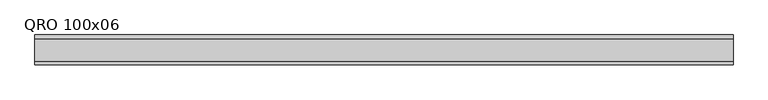
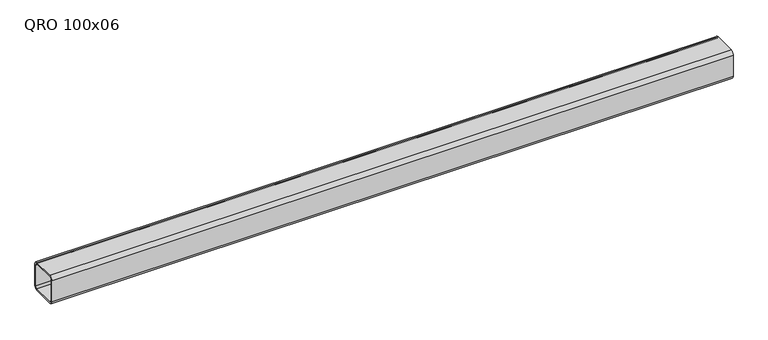
"""IFC4 building model written with IfcOpenShell, lengths in millimetres: beam geometry, QRO 100x06."""

from ifc_helpers import new_model, si_unit, point, frame, frame_2d, origin, place, context, project, spatial, polyline, circle_curve, trimmed, segment, composite_curve, outline, extrude, source, transform, mapped, element, save


def qro_100x06_1c4424a3(model_context):
    return source(origin(), model_context, "Body", "SweptSolid", [
        extrude(outline(composite_curve([segment(polyline([(50.0, 38.0), (50.0, -38.0)]), True, "CONTINUOUS"), segment(trimmed(circle_curve(frame_2d((38.0, -38.0)), 12.0), [point((50.0, -38.0))], [point((38.0, -50.0))], False, "CARTESIAN"), True, "CONTINUOUS"), segment(polyline([(38.0, -50.0), (-38.0, -50.0)]), True, "CONTINUOUS"), segment(trimmed(circle_curve(frame_2d((-38.0, -38.0)), 12.0), [point((-38.0, -50.0))], [point((-50.0, -38.0))], False, "CARTESIAN"), True, "CONTINUOUS"), segment(polyline([(-50.0, -38.0), (-50.0, 38.0)]), True, "CONTINUOUS"), segment(trimmed(circle_curve(frame_2d((-38.0, 38.0)), 12.0), [point((-50.0, 38.0))], [point((-38.0, 50.0))], False, "CARTESIAN"), True, "CONTINUOUS"), segment(polyline([(-38.0, 50.0), (38.0, 50.0)]), True, "CONTINUOUS"), segment(trimmed(circle_curve(frame_2d((38.0, 38.0)), 12.0), [point((38.0, 50.0))], [point((50.0, 38.0))], False, "CARTESIAN"), True, "CONTINUOUS")], self_intersect=False), holes=[composite_curve([segment(trimmed(circle_curve(frame_2d((-38.0, 38.0)), 6.0), [point((-38.0, 44.0))], [point((-44.0, 38.0))], True, "CARTESIAN"), True, "CONTINUOUS"), segment(polyline([(-44.0, 38.0), (-44.0, -38.0)]), True, "CONTINUOUS"), segment(trimmed(circle_curve(frame_2d((-38.0, -38.0)), 6.0), [point((-44.0, -38.0))], [point((-38.0, -44.0))], True, "CARTESIAN"), True, "CONTINUOUS"), segment(polyline([(-38.0, -44.0), (38.0, -44.0)]), True, "CONTINUOUS"), segment(trimmed(circle_curve(frame_2d((38.0, -38.0)), 6.0), [point((38.0, -44.0))], [point((44.0, -38.0))], True, "CARTESIAN"), True, "CONTINUOUS"), segment(polyline([(44.0, -38.0), (44.0, 38.0)]), True, "CONTINUOUS"), segment(trimmed(circle_curve(frame_2d((38.0, 38.0)), 6.0), [point((44.0, 38.0))], [point((38.0, 44.0))], True, "CARTESIAN"), True, "CONTINUOUS"), segment(polyline([(38.0, 44.0), (-38.0, 44.0)]), True, "CONTINUOUS")], self_intersect=False)]), frame((-1319.9240034, 0.0, 0.0), z_axis=(1.0, 0.0, 0.0), x_axis=(0.0, 1.0, 0.0)), (0.0, 0.0, 1.0), 2322.9579559),
    ])


if __name__ == "__main__":
    model = new_model("IFC4")
    model_context = context("Model", 3, world=origin())
    ifc_project = project(units=[si_unit("LENGTHUNIT", "METRE", prefix="MILLI")], contexts=[model_context])
    site = spatial("IfcSite", under=ifc_project)
    building = spatial("IfcBuilding", under=site)
    placement = place(None, origin())
    qro_100x06_shape = qro_100x06_1c4424a3(model_context)
    element("IfcBeam", 1, ObjectType="QRO 100x06", at=placement, inside=building, context=model_context, shape_type="MappedRepresentation", body=[
        mapped(qro_100x06_shape, transform((0.0, 0.0, 0.0), x_axis=(1.0, 0.0, 0.0), y_axis=(0.0, 1.0, 0.0), z_axis=(0.0, 0.0, 1.0))),
    ])
    save(model, "model.ifc")
